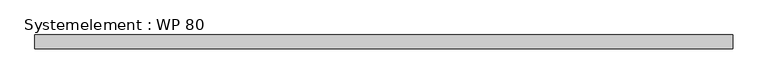
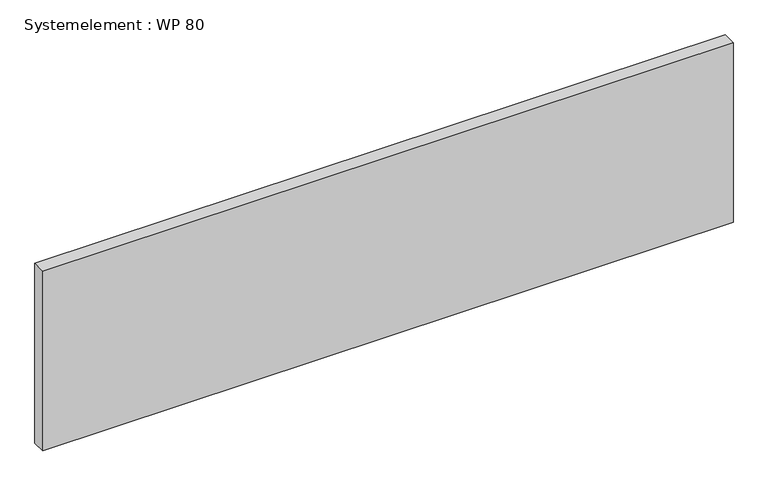
"""IFC4 building model written with IfcOpenShell, lengths in millimetres: plate geometry, Systemelement : WP 80."""

from ifc_helpers import new_model, si_unit, origin, origin_with_axes, place, context, project, spatial, polyline, outline, extrude, source, transform, mapped, element, save


def systemelement_wp_80_37ce7da0(model_context):
    return source(origin(), model_context, "Body", "SweptSolid", [
        extrude(outline(polyline([(2000.0, -80.0), (-2000.0, -80.0), (-2000.0, 0.0), (2000.0, 0.0), (2000.0, -80.0)])), origin_with_axes(), (0.0, 0.0, 1.0), 1100.0),
    ])


if __name__ == "__main__":
    model = new_model("IFC4")
    model_context = context("Model", 3, world=origin())
    ifc_project = project(units=[si_unit("LENGTHUNIT", "METRE", prefix="MILLI")], contexts=[model_context])
    site = spatial("IfcSite", under=ifc_project)
    building = spatial("IfcBuilding", under=site)
    placement = place(None, origin())
    systemelement_wp_80_shape = systemelement_wp_80_37ce7da0(model_context)
    element("IfcPlate", 1, ObjectType="Systemelement : WP 80", at=placement, inside=building, context=model_context, shape_type="MappedRepresentation", body=[
        mapped(systemelement_wp_80_shape, transform((0.0, 0.0, 0.0), x_axis=(1.0, 0.0, 0.0), y_axis=(0.0, 1.0, 0.0), z_axis=(0.0, 0.0, 1.0))),
    ])
    save(model, "model.ifc")
